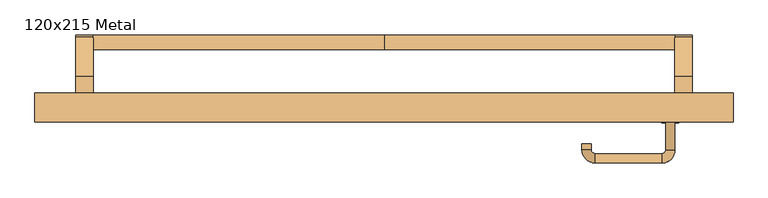
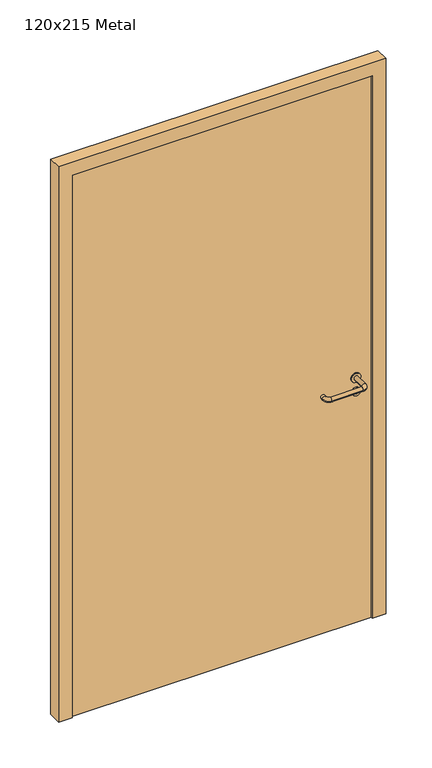
"""IFC4 building model written with IfcOpenShell, lengths in millimetres: door geometry, 120x215 Metal."""

from ifc_helpers import new_model, si_unit, point, frame, frame_2d, origin, origin_with_axes, place, context, project, spatial, polyline, circle_curve, ellipse_curve, trimmed, segment, composite_curve, outline, extrude, source, transform, mapped, element, save
from ifc_brep_helpers import plane_surface, cylinder_surface, revolved_surface, advanced_brep


def door_120x215_metal_47f85bec(model_context):
    return source(origin(), model_context, "Body", "SolidModel", [
        advanced_brep(
        [(-500.0, 50.4171435, 861.5304884), (-500.0, 75.4171435, 861.5304884), (0.0, 75.4171435, 861.5304884), (0.0, 50.4171435, 861.5304884), (500.0, 50.4171435, 861.5304884), (500.0, 75.4171435, 861.5304884)],
        [
            (0, 1, circle_curve(frame((-500.0, 62.9171435, 861.5304884), z_axis=(-1.0, 0.0, 0.0), x_axis=(0.0, 1.0, 0.0)), 12.5)),
            (1, 0, circle_curve(frame((-500.0, 62.9171435, 861.5304884), z_axis=(-1.0, 0.0, 0.0), x_axis=(0.0, 1.0, 0.0)), 12.5)),
            (1, 2),
            (2, 3, circle_curve(frame((0.0, 62.9171435, 861.5304884), z_axis=(-1.0, 0.0, 0.0), x_axis=(0.0, 1.0, 0.0)), 12.5)),
            (3, 0),
            (3, 2, circle_curve(frame((0.0, 62.9171435, 861.5304884), z_axis=(-1.0, 0.0, 0.0), x_axis=(0.0, 1.0, 0.0)), 12.5)),
            (4, 5, circle_curve(frame((500.0, 62.9171435, 861.5304884), z_axis=(1.0, 0.0, 0.0), x_axis=(0.0, 1.0, 0.0)), 12.5)),
            (5, 4, circle_curve(frame((500.0, 62.9171435, 861.5304884), z_axis=(1.0, 0.0, 0.0), x_axis=(0.0, 1.0, 0.0)), 12.5)),
            (4, 3),
            (2, 5),
        ],
        [
            plane_surface(frame((-500.0, 75.4171435, 861.5304884), z_axis=(-1.0, 0.0, 0.0), x_axis=(0.0, 0.0, -1.0))),
            cylinder_surface(frame((-500.0, 62.9171435, 861.5304884), z_axis=(1.0, 0.0, 0.0), x_axis=(0.0, 1.0, 0.0)), 12.5),
            plane_surface(frame((500.0, 75.4171435, 861.5304884), z_axis=(1.0, 0.0, 0.0), x_axis=(0.0, 0.0, 1.0))),
            cylinder_surface(frame((0.0, 62.9171435, 861.5304884), z_axis=(1.0, 0.0, 0.0), x_axis=(0.0, 1.0, 0.0)), 12.5),
        ],
        [
            (0, [[1, 2]]),
            (1, [[-2, 3, 4, 5]]),
            (1, [[-1, -5, 6, -3]]),
            (2, [[7, 8]]),
            (3, [[-7, 9, -4, 10]]),
            (3, [[-8, -10, -6, -9]]),
        ],
    ),
        extrude(outline(composite_curve([segment(polyline([(5.0, 950.0), (72.492699, 869.5653335)]), True, "CONTINUOUS"), segment(trimmed(circle_curve(frame_2d((62.9171435, 861.5304884)), 12.5), [point((72.492699, 869.5653335))], [point((53.3415879, 853.4956432))], False, "CARTESIAN"), True, "CONTINUOUS"), segment(polyline([(53.3415879, 853.4956432), (3.5486991, 895.2768379), (-40.0, 895.2768379), (-40.0, 950.0), (5.0, 950.0)]), True, "CONTINUOUS")], self_intersect=False)), frame((-530.0, 0.0, 0.0), z_axis=(1.0, 0.0, 0.0), x_axis=(0.0, 1.0, 0.0)), (0.0, 0.0, 1.0), 30.0),
        extrude(outline(composite_curve([segment(polyline([(5.0, 950.0), (72.492699, 869.5653335)]), True, "CONTINUOUS"), segment(trimmed(circle_curve(frame_2d((62.9171435, 861.5304884)), 12.5), [point((72.492699, 869.5653335))], [point((53.3415879, 853.4956432))], False, "CARTESIAN"), True, "CONTINUOUS"), segment(polyline([(53.3415879, 853.4956432), (3.5486991, 895.2768379), (-40.0, 895.2768379), (-40.0, 950.0), (5.0, 950.0)]), True, "CONTINUOUS")], self_intersect=False)), frame((500.0, 0.0, 0.0), z_axis=(1.0, 0.0, 0.0), x_axis=(0.0, 1.0, 0.0)), (0.0, 0.0, 1.0), 30.0),
        extrude(outline(composite_curve([segment(trimmed(circle_curve(frame_2d((0.0, 15.0)), 15.0), [point((0.0, 30.0))], [point((0.0, 0.0))], False, "CARTESIAN"), True, "CONTINUOUS"), segment(trimmed(circle_curve(frame_2d((0.0, 15.0)), 15.0), [point((0.0, 0.0))], [point((0.0, 30.0))], False, "CARTESIAN"), True, "CONTINUOUS")], self_intersect=False), holes=[composite_curve([segment(trimmed(circle_curve(frame_2d((-4.7772515, 14.9398032)), 2.0), [point((-4.7772515, 16.9398032))], [point((-4.7772515, 12.9398032))], True, "CARTESIAN"), True, "CONTINUOUS"), segment(polyline([(-4.7772515, 12.9398032), (5.2227485, 12.9398032)]), True, "CONTINUOUS"), segment(trimmed(circle_curve(frame_2d((5.2227485, 14.9398032)), 2.0), [point((5.2227485, 12.9398032))], [point((5.2227485, 16.9398032))], True, "CARTESIAN"), True, "CONTINUOUS"), segment(polyline([(5.2227485, 16.9398032), (-4.7772515, 16.9398032)]), True, "CONTINUOUS")], self_intersect=False)]), frame((477.0, -76.35, 897.3605726), z_axis=(-1.8870575173328306e-12, 1.0, 0.0), x_axis=(0.0, 0.0, 1.0)), (0.0, 0.0, 1.0), 6.35),
        extrude(outline(composite_curve([segment(trimmed(circle_curve(frame_2d((0.0, 17.526)), 17.526), [point((0.0, 35.052))], [point((0.0, 0.0))], False, "CARTESIAN"), True, "CONTINUOUS"), segment(trimmed(circle_curve(frame_2d((0.0, 17.526)), 17.526), [point((0.0, 0.0))], [point((0.0, 35.052))], False, "CARTESIAN"), True, "CONTINUOUS")], self_intersect=False)), frame((474.474, -73.175, 950.0), z_axis=(-1.8870575173328306e-12, 1.0, 0.0), x_axis=(0.0, 0.0, 1.0)), (0.0, 0.0, 1.0), 3.175),
        advanced_brep(
        [(500.0, -70.0, 950.0), (484.0, -70.0, 950.0), (484.0, -123.0, 950.0), (500.0, -123.0, 950.0), (477.8578644, -129.1421356, 950.0), (477.8578644, -145.1421356, 950.0), (362.8578644, -129.1421356, 950.0), (362.8578644, -145.1421356, 950.0), (356.008622, -122.2928932, 950.0), (340.008622, -122.2928932, 950.0), (340.008622, -112.2928932, 950.0), (356.008622, -112.2928932, 950.0)],
        [
            (0, 1, circle_curve(frame((492.0, -70.0, 950.0), z_axis=(-1.888672253512351e-12, 1.0, 0.0), x_axis=(-1.0, -1.888672253512351e-12, 0.0)), 8.0)),
            (1, 0, circle_curve(frame((492.0, -70.0, 950.0), z_axis=(-1.888672253512351e-12, 1.0, 0.0), x_axis=(-1.0, -1.888672253512351e-12, 0.0)), 8.0)),
            (1, 2),
            (2, 3, circle_curve(frame((492.0, -123.0, 950.0), z_axis=(-1.888672253512351e-12, 1.0, 0.0), x_axis=(-1.0, -1.888672253512351e-12, 0.0)), 8.0)),
            (3, 0),
            (3, 2, circle_curve(frame((492.0, -123.0, 950.0), z_axis=(-1.888672253512351e-12, 1.0, 0.0), x_axis=(-1.0, -1.888672253512351e-12, 0.0)), 8.0)),
            (4, 5, circle_curve(frame((477.8578644, -137.1421356, 950.0), z_axis=(1.0, 1.913702061528922e-12, 0.0), x_axis=(-1.913702061528922e-12, 1.0, 0.0)), 8.0)),
            (5, 3, circle_curve(frame((477.8578644, -123.0, 950.0), z_axis=(0.0, 0.0, 1.0), x_axis=(1.0, 1.880717803715015e-12, 0.0)), 22.1421356)),
            (2, 4, circle_curve(frame((477.8578644, -123.0, 950.0), z_axis=(0.0, 0.0, -1.0), x_axis=(1.0, 1.880717803715015e-12, 0.0)), 6.1421356)),
            (5, 4, circle_curve(frame((477.8578644, -137.1421356, 950.0), z_axis=(1.0, 1.913702061528922e-12, 0.0), x_axis=(-1.913702061528922e-12, 1.0, 0.0)), 8.0)),
            (4, 6),
            (6, 7, circle_curve(frame((362.8578644, -137.1421356, 950.0), z_axis=(1.0, 1.913719828541269e-12, 0.0), x_axis=(-1.913719828541269e-12, 1.0, 0.0)), 8.0)),
            (7, 5),
            (7, 6, circle_curve(frame((362.8578644, -137.1421356, 950.0), z_axis=(1.0, 1.913719828541269e-12, 0.0), x_axis=(-1.913719828541269e-12, 1.0, 0.0)), 8.0)),
            (8, 9, circle_curve(frame((348.008622, -122.2928932, 950.0), z_axis=(1.890226565746826e-12, -1.0, 0.0), x_axis=(1.0, 1.890226565746826e-12, 0.0)), 8.0)),
            (9, 7, circle_curve(frame((362.8578644, -122.2928932, 950.0), z_axis=(0.0, 0.0, 1.0), x_axis=(1.9120873253494017e-12, -1.0, 0.0)), 22.8492424)),
            (6, 8, circle_curve(frame((362.8578644, -122.2928932, 950.0), z_axis=(0.0, 0.0, -1.0), x_axis=(1.9120873253494017e-12, -1.0, 0.0)), 6.8492424)),
            (9, 8, circle_curve(frame((348.008622, -122.2928932, 950.0), z_axis=(1.890670654956676e-12, -1.0, 0.0), x_axis=(1.0, 1.890670654956676e-12, 0.0)), 8.0)),
            (10, 11, circle_curve(frame((348.008622, -112.2928932, 950.0), z_axis=(-1.8903642334018795e-12, 1.0, 0.0), x_axis=(1.0, 1.8903642334018795e-12, 0.0)), 8.0)),
            (11, 10, circle_curve(frame((348.008622, -112.2928932, 950.0), z_axis=(-1.8903642334018795e-12, 1.0, 0.0), x_axis=(1.0, 1.8903642334018795e-12, 0.0)), 8.0)),
            (8, 11),
            (10, 9),
        ],
        [
            plane_surface(frame((492.0, -70.0, 170.0), z_axis=(-1.8870575173328306e-12, 1.0, 0.0), x_axis=(0.0, 0.0, 1.0))),
            cylinder_surface(frame((492.0, -70.0, 950.0), z_axis=(-1.888672253512351e-12, 1.0, 0.0), x_axis=(-1.0, -1.888672253512351e-12, 0.0)), 8.0),
            revolved_surface(trimmed(ellipse_curve(frame((492.0, -123.0, 950.0), z_axis=(1.8823325398945356e-12, -1.0, 0.0), x_axis=(-1.0, -1.8823325398945356e-12, 0.0)), 8.0, 8.0), [point((500.0, -123.0, 950.0))], [point((484.0, -123.0, 950.0))], True, "CARTESIAN"), (477.8578644, -123.0, 170.0), (0.0, 0.0, 1.0)),
            revolved_surface(trimmed(ellipse_curve(frame((492.0, -123.0, 950.0), z_axis=(1.8823325398945356e-12, -1.0, 0.0), x_axis=(-1.0, -1.8823325398945356e-12, 0.0)), 8.0, 8.0), [point((484.0, -123.0, 950.0))], [point((500.0, -123.0, 950.0))], True, "CARTESIAN"), (477.8578644, -123.0, 170.0), (0.0, 0.0, 1.0)),
            cylinder_surface(frame((477.8578644, -137.1421356, 950.0), z_axis=(1.0, 1.913719828541269e-12, 0.0), x_axis=(-1.913719828541269e-12, 1.0, 0.0)), 8.0),
            revolved_surface(trimmed(ellipse_curve(frame((362.8578644, -137.1421356, 950.0), z_axis=(-1.0, -1.913702061528922e-12, 0.0), x_axis=(-1.913702061528922e-12, 1.0, 0.0)), 8.0, 8.0), [point((362.8578644, -145.1421356, 950.0))], [point((362.8578644, -129.1421356, 950.0))], True, "CARTESIAN"), (362.8578644, -122.2928932, 170.0), (0.0, 0.0, 1.0)),
            revolved_surface(trimmed(ellipse_curve(frame((362.8578644, -137.1421356, 950.0), z_axis=(-1.0, -1.913702061528922e-12, 0.0), x_axis=(-1.913702061528922e-12, 1.0, 0.0)), 8.0, 8.0), [point((362.8578644, -129.1421356, 950.0))], [point((362.8578644, -145.1421356, 950.0))], True, "CARTESIAN"), (362.8578644, -122.2928932, 170.0), (0.0, 0.0, 1.0)),
            plane_surface(frame((348.008622, -112.2928932, 170.0), z_axis=(-1.8887494972223595e-12, 1.0, 0.0), x_axis=(0.0, 0.0, 1.0))),
            cylinder_surface(frame((348.008622, -122.2928932, 950.0), z_axis=(1.8903642334018795e-12, -1.0, 0.0), x_axis=(1.0, 1.8903642334018795e-12, 0.0)), 8.0),
        ],
        [
            (0, [[1, 2]]),
            (1, [[3, 4, 5, -2]]),
            (1, [[-5, 6, -3, -1]]),
            (2, [[7, 8, -4, 9]]),
            (3, [[10, -9, -6, -8]]),
            (4, [[11, 12, 13, -7]]),
            (4, [[-13, 14, -11, -10]]),
            (5, [[15, 16, -12, 17]]),
            (6, [[18, -17, -14, -16]]),
            (7, [[19, 20]]),
            (8, [[21, -19, 22, -15]]),
            (8, [[-22, -20, -21, -18]]),
        ],
    ),
        extrude(outline(polyline([(2100.0, 550.0), (0.0, 550.0), (0.0, 600.0), (2150.0, 600.0), (2150.0, -600.0), (0.0, -600.0), (0.0, -550.0), (2100.0, -550.0), (2100.0, 550.0)])), frame((0.0, -75.0, 0.0), z_axis=(0.0, 1.0, 0.0), x_axis=(0.0, 0.0, 1.0)), (0.0, 0.0, 1.0), 50.0),
        extrude(outline(polyline([(-550.0, -70.0), (-550.0, -40.0), (550.0, -40.0), (550.0, -70.0), (-550.0, -70.0)])), origin_with_axes(), (0.0, 0.0, 1.0), 2100.0),
    ])


if __name__ == "__main__":
    model = new_model("IFC4")
    model_context = context("Model", 3, world=origin())
    ifc_project = project(units=[si_unit("LENGTHUNIT", "METRE", prefix="MILLI")], contexts=[model_context])
    site = spatial("IfcSite", under=ifc_project)
    building = spatial("IfcBuilding", under=site)
    placement = place(None, origin())
    door_120x215_metal_shape = door_120x215_metal_47f85bec(model_context)
    element("IfcDoor", 1, ObjectType="120x215 Metal", at=placement, inside=building, context=model_context, shape_type="MappedRepresentation", body=[
        mapped(door_120x215_metal_shape, transform((0.0, 0.0, 0.0), x_axis=(1.0, 0.0, 0.0), y_axis=(0.0, 1.0, 0.0), z_axis=(0.0, 0.0, 1.0))),
    ])
    save(model, "model.ifc")
